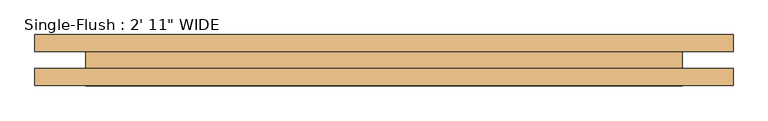
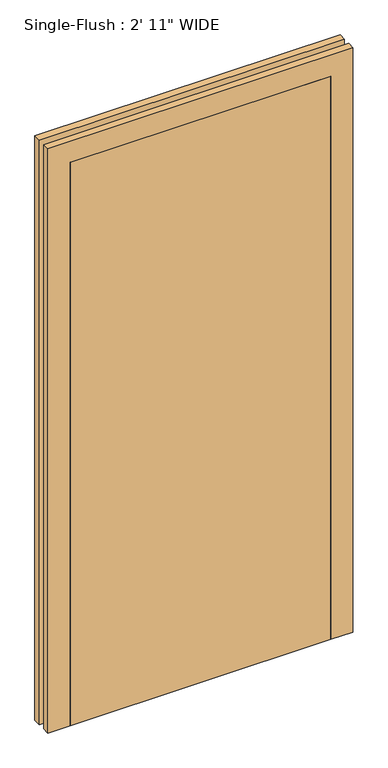
"""IFC4 building model written with IfcOpenShell, lengths in millimetres: door geometry."""

from ifc_helpers import new_model, si_unit, frame, origin, origin_with_axes, place, context, project, spatial, polyline, outline, extrude, source, transform, mapped, element, save


def door_acec3284(model_context):
    return source(origin(), model_context, "Body", "SweptSolid", [
        extrude(outline(polyline([(2108.2, -520.7), (0.0, -520.7), (0.0, -444.5), (2032.0, -444.5), (2032.0, 444.5), (0.0, 444.5), (0.0, 520.7), (2108.2, 520.7), (2108.2, -520.7)])), frame((0.0, 12.7, 0.0), z_axis=(0.0, 1.0, 0.0), x_axis=(0.0, 0.0, 1.0)), (0.0, 0.0, 1.0), 25.4),
        extrude(outline(polyline([(2108.2, 520.7), (2108.2, -520.7), (0.0, -520.7), (0.0, -444.5), (2032.0, -444.5), (2032.0, 444.5), (0.0, 444.5), (0.0, 520.7), (2108.2, 520.7)])), frame((0.0, -38.1, 0.0), z_axis=(0.0, 1.0, 0.0), x_axis=(0.0, 0.0, 1.0)), (0.0, 0.0, 1.0), 25.4),
        extrude(outline(polyline([(444.5, -38.1), (-444.5, -38.1), (-444.5, 12.7), (444.5, 12.7), (444.5, -38.1)])), origin_with_axes(), (0.0, 0.0, 1.0), 2032.0),
    ])


if __name__ == "__main__":
    model = new_model("IFC4")
    model_context = context("Model", 3, world=origin())
    ifc_project = project(units=[si_unit("LENGTHUNIT", "METRE", prefix="MILLI")], contexts=[model_context])
    site = spatial("IfcSite", under=ifc_project)
    building = spatial("IfcBuilding", under=site)
    placement = place(None, origin())
    door_shape = door_acec3284(model_context)
    element("IfcDoor", 1, ObjectType="Single-Flush : 2' 11\" WIDE", at=placement, inside=building, context=model_context, shape_type="MappedRepresentation", body=[
        mapped(door_shape, transform((0.0, 0.0, 0.0), x_axis=(1.0, 0.0, 0.0), y_axis=(0.0, 1.0, 0.0), z_axis=(0.0, 0.0, 1.0))),
    ])
    save(model, "model.ifc")
